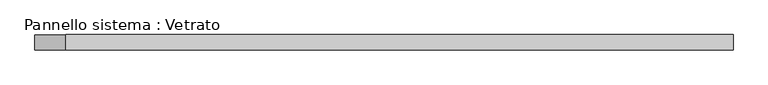
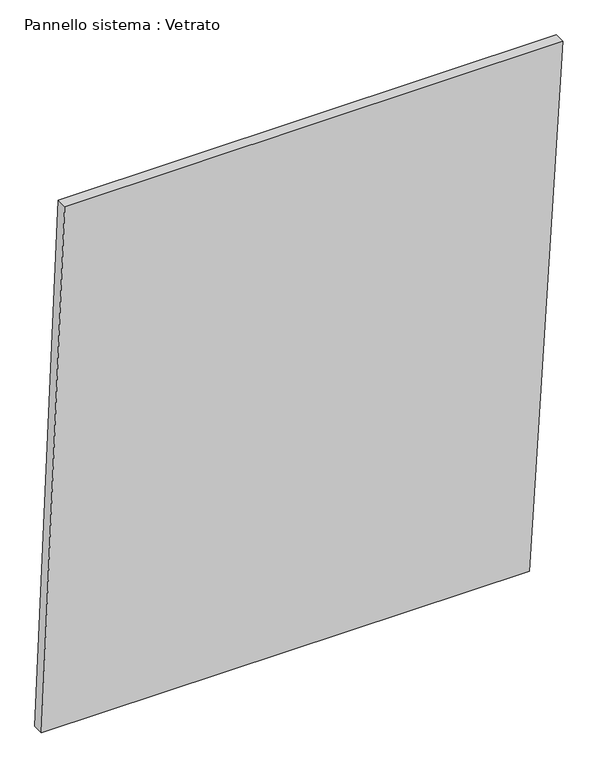
"""IFC4 building model written with IfcOpenShell, lengths in millimetres: plate geometry, Pannello sistema : Vetrato."""

from ifc_helpers import new_model, si_unit, frame, origin, place, context, project, spatial, polyline, outline, extrude, source, transform, mapped, element, save


def pannello_sistema_vetrato_d89eb628(model_context):
    return source(origin(), model_context, "Body", "SweptSolid", [
        extrude(outline(polyline([(0.8404649, -693.4591453), (0.0, 604.5464402), (1457.5312632, 693.4591453), (1457.5312632, -631.8041437), (0.8404649, -693.4591453)])), frame((0.0, -15.0, 0.0), z_axis=(0.0, 1.0, 0.0), x_axis=(0.0, 0.0, 1.0)), (0.0, 0.0, 1.0), 30.0),
    ])


if __name__ == "__main__":
    model = new_model("IFC4")
    model_context = context("Model", 3, world=origin())
    ifc_project = project(units=[si_unit("LENGTHUNIT", "METRE", prefix="MILLI")], contexts=[model_context])
    site = spatial("IfcSite", under=ifc_project)
    building = spatial("IfcBuilding", under=site)
    placement = place(None, origin())
    pannello_sistema_vetrato_shape = pannello_sistema_vetrato_d89eb628(model_context)
    element("IfcPlate", 1, ObjectType="Pannello sistema : Vetrato", at=placement, inside=building, context=model_context, shape_type="MappedRepresentation", body=[
        mapped(pannello_sistema_vetrato_shape, transform((0.0, 0.0, 0.0), x_axis=(1.0, 0.0, 0.0), y_axis=(0.0, 1.0, 0.0), z_axis=(0.0, 0.0, 1.0))),
    ])
    save(model, "model.ifc")
